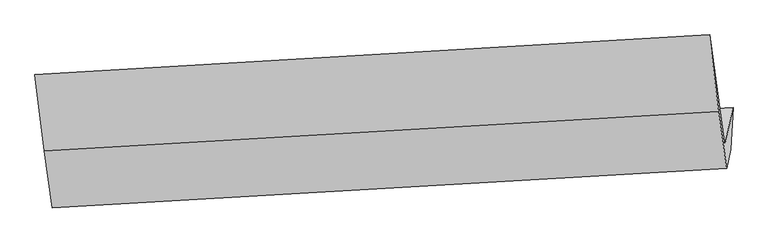
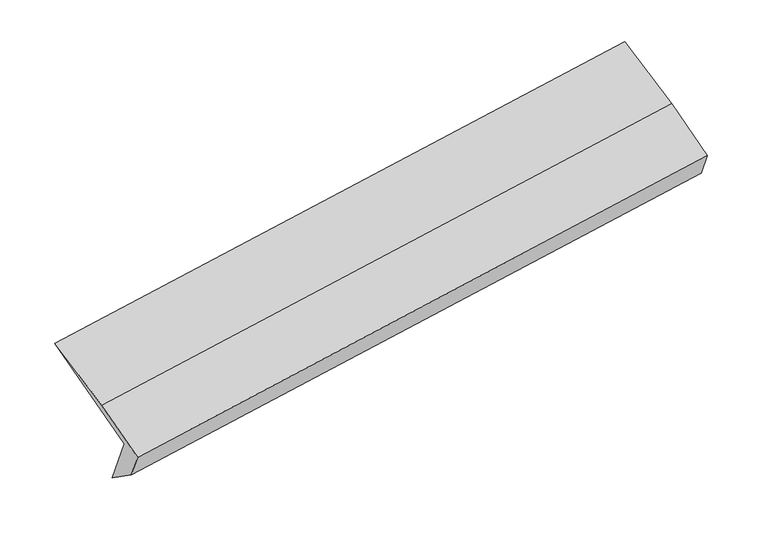
"""IFC4 building model written with IfcOpenShell, lengths in millimetres: proxy geometry."""

import ifcopenshell
import ifcopenshell.guid

model = None  # the IFC model being written
_history = None  # IfcOwnerHistory: only IFC2X3 demands one
_inside = {}  # id of a spatial element -> (the spatial element, [elements in it])
_under = {}  # id of a project, library or spatial element -> (it, [spatial elements below it])
_declared = {}  # id of a project -> (the project, [libraries it declares])
_typed = {}  # id of a type object -> (the type object, [elements of that type])
_made_of = {}  # id of a material, layer set ... -> (it, [elements and type objects made of it])


def new_model(schema):
    """Start an empty IFC model of exactly this schema.

    Asked for "IFC4X3", IfcOpenShell would pick the latest addendum, in which some entities
    have other attributes; the version numbers below select the first issue.
    IFC2X3 requires an IfcOwnerHistory on every rooted entity: one is made here for all.
    """
    global model, _history
    if schema == "IFC4X3":
        model = ifcopenshell.file(schema_version=(4, 3, 0, 0))
    else:
        model = ifcopenshell.file(schema=schema)
    _inside.clear()
    _under.clear()
    _declared.clear()
    _typed.clear()
    _made_of.clear()
    _history = None
    if model.schema == "IFC2X3":
        org = make("IfcOrganization", Name="unknown")
        user = make(
            "IfcPersonAndOrganization",
            ThePerson=make("IfcPerson", FamilyName="unknown"),
            TheOrganization=org,
        )
        app = make(
            "IfcApplication",
            ApplicationDeveloper=org,
            Version="unknown",
            ApplicationFullName="unknown",
            ApplicationIdentifier="unknown",
        )
        _history = make(
            "IfcOwnerHistory",
            OwningUser=user,
            OwningApplication=app,
            ChangeAction="ADDED",
            CreationDate=0,
        )
    return model


def make(cls, **values):
    """One entity of the class cls with the attributes given. An attribute that is None is left unset."""
    return model.create_entity(
        cls, **{name: value for name, value in values.items() if value is not None}
    )


def rooted(cls, **values):
    """An entity with a GlobalId (a new one), such as an element, a storey or a relation."""
    return make(cls, GlobalId=ifcopenshell.guid.new(), OwnerHistory=_history, **values)


def si_unit(unit_type, name, prefix=None):
    """IfcSIUnit, for example si_unit("LENGTHUNIT", "METRE", prefix="MILLI")."""
    return make("IfcSIUnit", UnitType=unit_type, Prefix=prefix, Name=name)


def assignment(units):
    """IfcUnitAssignment: the units of a project."""
    return None if units is None else make("IfcUnitAssignment", Units=units)


def point(xyz):
    """IfcCartesianPoint."""
    return None if xyz is None else make("IfcCartesianPoint", Coordinates=xyz)


def direction(xyz):
    """IfcDirection."""
    return None if xyz is None else make("IfcDirection", DirectionRatios=xyz)


def frame(location, z_axis=None, x_axis=None):
    """IfcAxis2Placement3D, a coordinate frame: its origin and axes. An axis left out is left unset."""
    return make(
        "IfcAxis2Placement3D",
        Location=point(location),
        Axis=direction(z_axis),
        RefDirection=direction(x_axis),
    )


def origin():
    """The frame at (0, 0, 0) with its axes left unset."""
    return frame((0.0, 0.0, 0.0))


def place(relative_to, where):
    """IfcLocalPlacement: puts the frame where relative to a parent placement (None: the world)."""
    return make(
        "IfcLocalPlacement", PlacementRelTo=relative_to, RelativePlacement=where
    )


def context(
    kind, dimensions, precision=None, world=None, true_north=None, identifier=None
):
    """IfcGeometricRepresentationContext, for example the 3D "Model" context."""
    return make(
        "IfcGeometricRepresentationContext",
        ContextIdentifier=identifier,
        ContextType=kind,
        CoordinateSpaceDimension=dimensions,
        Precision=precision,
        WorldCoordinateSystem=world,
        TrueNorth=true_north,
    )


def project(units=None, contexts=None):
    """IfcProject with its units and contexts."""
    return rooted(
        "IfcProject",
        Name="project",
        RepresentationContexts=contexts,
        UnitsInContext=assignment(units),
    )


def spatial(cls, under=None, at=None, **own):
    """A site, building, storey or space (cls), placed at a placement, below another one or the project."""
    s = rooted(cls, ObjectPlacement=at, **own)
    if under is not None:
        _under.setdefault(under.id(), (under, []))[1].append(s)
    return s


def faces_of(points, faces, orient=None, outer=None):
    """IfcFace entities. A face is a list of loops; a loop is a list of indices into points, from 0.

    orient and outer hold one flag for each loop. By default every Orientation is true, the
    first loop of a face is its IfcFaceOuterBound and the others are IfcFaceBound.
    """
    made = []
    for i, loops in enumerate(faces):
        bounds = []
        for j, loop in enumerate(loops):
            is_outer = j == 0 if outer is None else outer[i][j]
            bounds.append(
                make(
                    "IfcFaceOuterBound" if is_outer else "IfcFaceBound",
                    Bound=make("IfcPolyLoop", Polygon=[points[k] for k in loop]),
                    Orientation=True if orient is None else orient[i][j],
                )
            )
        made.append(make("IfcFace", Bounds=bounds))
    return made


def faceted_brep(points, faces, orient=None, outer=None, voids=None):
    """IfcFacetedBrep: a solid bounded by flat faces; with voids (closed shells), ...WithVoids."""
    shared = [point(p) for p in points]
    hull = make("IfcClosedShell", CfsFaces=faces_of(shared, faces, orient, outer))
    if voids is None:
        return make("IfcFacetedBrep", Outer=hull)
    return make(
        "IfcFacetedBrepWithVoids",
        Outer=hull,
        Voids=[
            make(cls, CfsFaces=faces_of(shared, fs, o, b)) for cls, fs, o, b in voids
        ],
    )


def shape(context_of_items, identifier, shape_type, items):
    """IfcShapeRepresentation: the items that make up one representation, for example the "Body"."""
    return make(
        "IfcShapeRepresentation",
        ContextOfItems=context_of_items,
        RepresentationIdentifier=identifier,
        RepresentationType=shape_type,
        Items=items,
    )


def source(mapping_origin, context_of_items, identifier, shape_type, items):
    """IfcRepresentationMap: a shape defined once, which mapped items show again and again."""
    return make(
        "IfcRepresentationMap",
        MappingOrigin=mapping_origin,
        MappedRepresentation=shape(context_of_items, identifier, shape_type, items),
    )


def transform(
    local_origin,
    x_axis=None,
    y_axis=None,
    z_axis=None,
    scale=None,
    scale2=None,
    scale3=None,
    uniform=True,
):
    """IfcCartesianTransformationOperator3D, or its non-uniform kind. x_axis, y_axis, z_axis: its Axis1, 2, 3."""
    if uniform:
        return make(
            "IfcCartesianTransformationOperator3D",
            Axis1=direction(x_axis),
            Axis2=direction(y_axis),
            LocalOrigin=point(local_origin),
            Scale=scale,
            Axis3=direction(z_axis),
        )
    return make(
        "IfcCartesianTransformationOperator3DnonUniform",
        Axis1=direction(x_axis),
        Axis2=direction(y_axis),
        LocalOrigin=point(local_origin),
        Scale=scale,
        Axis3=direction(z_axis),
        Scale2=scale2,
        Scale3=scale3,
    )


def mapped(mapping_source, mapping_target):
    """IfcMappedItem: shows the shape of a source again, moved by a transform."""
    return make(
        "IfcMappedItem", MappingSource=mapping_source, MappingTarget=mapping_target
    )


def made_of(thing, what):
    """Note that an element or type object is made of a material, layer set ...; save() writes the relation."""
    if what is not None:
        _made_of.setdefault(what.id(), (what, []))[1].append(thing)
    return thing


def element(
    cls,
    number,
    at=None,
    inside=None,
    cuts=None,
    type_object=None,
    material=None,
    context=None,
    identifier="Body",
    shape_type=None,
    held_by="IfcProductDefinitionShape",
    body=None,
    shapes=None,
    **own,
):
    """One element of the class cls, such as IfcWall. Its Tag is "e" and its number.

    at: its placement. inside: the storey or other place that contains it. cuts: it is an
    opening in that element (IfcRelVoidsElement). A single representation is given by context,
    identifier, shape_type and body (its items); several are given by shapes. held_by: the class
    of the entity that holds the representations. save() writes the other relations.
    """
    e = rooted(cls, Tag="e%d" % number, ObjectPlacement=at, **own)
    if body is not None:
        shapes = [shape(context, identifier, shape_type, body)]
    if shapes is not None:
        e.Representation = make(held_by, Representations=shapes)
    if inside is not None:
        _inside.setdefault(inside.id(), (inside, []))[1].append(e)
    if cuts is not None:
        rooted(
            "IfcRelVoidsElement", RelatingBuildingElement=cuts, RelatedOpeningElement=e
        )
    if type_object is not None:
        _typed.setdefault(type_object.id(), (type_object, []))[1].append(e)
    return made_of(e, material)


def aggregate(whole, parts):
    """IfcRelAggregates: a whole, such as a stair, and the parts it consists of."""
    return rooted("IfcRelAggregates", RelatingObject=whole, RelatedObjects=parts)


def save(model, path):
    """Write the relations noted so far, then the file.

    IfcRelAggregates (storeys below a building ...), IfcRelContainedInSpatialStructure (elements
    in a storey), IfcRelDefinesByType, IfcRelAssociatesMaterial and IfcRelDeclares: one each for
    every whole, place, type object, material and project.
    """
    for whole, parts in _under.values():
        aggregate(whole, parts)
    for where, things in _inside.values():
        rooted(
            "IfcRelContainedInSpatialStructure",
            RelatedElements=things,
            RelatingStructure=where,
        )
    for kind, things in _typed.values():
        rooted("IfcRelDefinesByType", RelatedObjects=things, RelatingType=kind)
    for what, things in _made_of.values():
        rooted("IfcRelAssociatesMaterial", RelatedObjects=things, RelatingMaterial=what)
    for by, libraries in _declared.values():
        rooted("IfcRelDeclares", RelatingContext=by, RelatedDefinitions=libraries)
    model.write(path)


def generic_models_1ed9415a(model_context):
    return source(origin(), model_context, "Body", "Brep", [
        faceted_brep([(-6270.8369482, -1588.0675417, 721.5648725), (-6355.3472858, -1977.6481894, 1414.1183481), (653.8585184, -1565.5132176, 2501.2692821), (738.3688559, -1175.9325699, 1808.7158065), (-6294.0198819, -2022.3754577, 1031.4769494), (715.1859222, -1610.2404858, 2118.6278833), (-6337.2811262, -2221.8036463, 1385.9983714), (671.924678, -1809.6686745, 2473.1493054), (-6420.3265744, -1629.1393282, 1709.2547811), (588.8792297, -1217.0043563, 2796.4057151), (-6515.921177, -831.6923574, 2039.1560914), (493.2846272, -419.5573855, 3126.3070254)], [[[0, 1, 2, 3]], [[4, 0, 3, 5]], [[6, 4, 5, 7]], [[8, 6, 7, 9]], [[10, 8, 9, 11]], [[1, 10, 11, 2]], [[9, 7, 5, 3, 2, 11]], [[1, 0, 4, 6, 8, 10]]]),
    ])


if __name__ == "__main__":
    model = new_model("IFC4")
    model_context = context("Model", 3, world=origin())
    ifc_project = project(units=[si_unit("LENGTHUNIT", "METRE", prefix="MILLI")], contexts=[model_context])
    site = spatial("IfcSite", under=ifc_project)
    building = spatial("IfcBuilding", under=site)
    placement = place(None, origin())
    generic_models_shape = generic_models_1ed9415a(model_context)
    element("IfcBuildingElementProxy", 1, Name="Generic Models", at=placement, inside=building, context=model_context, shape_type="MappedRepresentation", body=[
        mapped(generic_models_shape, transform((0.0, 0.0, 0.0), x_axis=(1.0, 0.0, 0.0), y_axis=(0.0, 1.0, 0.0), z_axis=(0.0, 0.0, 1.0))),
    ])
    save(model, "model.ifc")
